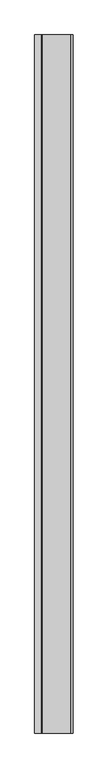
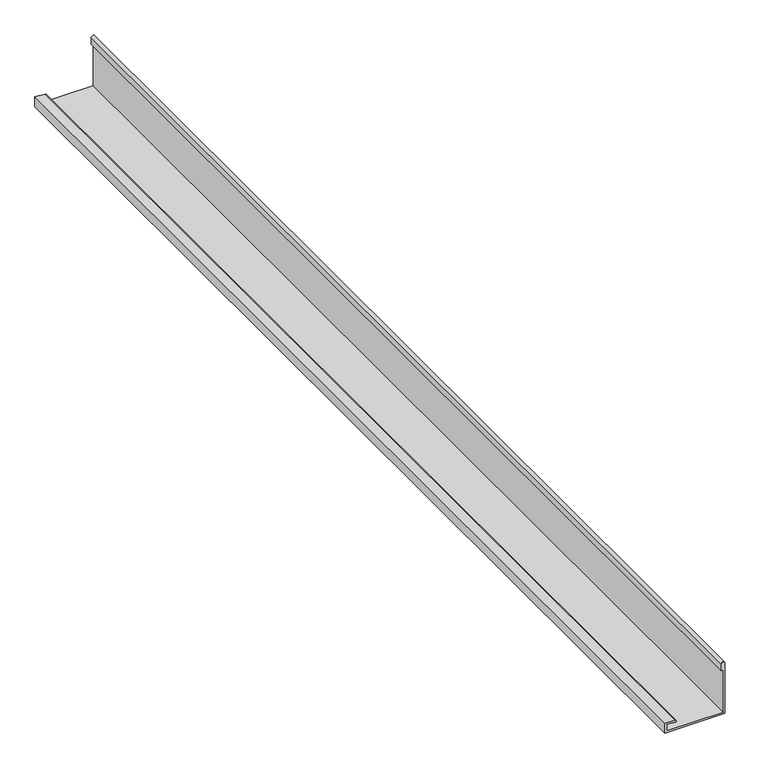
"""IFC4 building model written with IfcOpenShell, lengths in millimetres: proxy geometry."""

from ifc_helpers import new_model, si_unit, point, frame, frame_2d, origin, place, context, project, spatial, polyline, circle_curve, trimmed, segment, composite_curve, outline, extrude, source, transform, mapped, element, save


def generic_models_63b4b1ea(model_context):
    return source(origin(), model_context, "Body", "SweptSolid", [
        extrude(outline(composite_curve([segment(polyline([(3799.2452806, -1367.0226803), (3799.2452806, -1197.0226803), (3949.6655464, -1197.0226803)]), True, "CONTINUOUS"), segment(trimmed(circle_curve(frame_2d((3949.6655464, -1202.0226803)), 5.0), [point((3949.6655464, -1197.0226803))], [point((3949.6655464, -1207.0226803))], False, "CARTESIAN"), True, "CONTINUOUS"), segment(polyline([(3949.6655464, -1207.0226803), (3929.6655464, -1207.0226803), (3929.6655464, -1202.0226803), (3804.2452806, -1202.0226803), (3804.2452806, -1362.0226803), (3823.7887381, -1362.0226803), (3821.6496348, -1337.5726181)]), True, "CONTINUOUS"), segment(trimmed(circle_curve(frame_2d((3824.1401216, -1337.3547288)), 2.5), [point((3821.6496348, -1337.5726181))], [point((3826.6306083, -1337.1368394))], False, "CARTESIAN"), True, "CONTINUOUS"), segment(polyline([(3826.6306083, -1337.1368394), (3829.2452806, -1367.0226803), (3799.2452806, -1367.0226803)]), True, "CONTINUOUS")], self_intersect=False)), frame((0.0, -4545.130694, 0.0), z_axis=(0.0, 1.0, 0.0), x_axis=(0.0, 0.0, 1.0)), (0.0, 0.0, 1.0), 3090.0),
    ])


if __name__ == "__main__":
    model = new_model("IFC4")
    model_context = context("Model", 3, world=origin())
    ifc_project = project(units=[si_unit("LENGTHUNIT", "METRE", prefix="MILLI")], contexts=[model_context])
    site = spatial("IfcSite", under=ifc_project)
    building = spatial("IfcBuilding", under=site)
    placement = place(None, origin())
    generic_models_shape = generic_models_63b4b1ea(model_context)
    element("IfcBuildingElementProxy", 1, Name="Generic Models", at=placement, inside=building, context=model_context, shape_type="MappedRepresentation", body=[
        mapped(generic_models_shape, transform((0.0, 0.0, 0.0), x_axis=(1.0, 0.0, 0.0), y_axis=(0.0, 1.0, 0.0), z_axis=(0.0, 0.0, 1.0))),
    ])
    save(model, "model.ifc")
